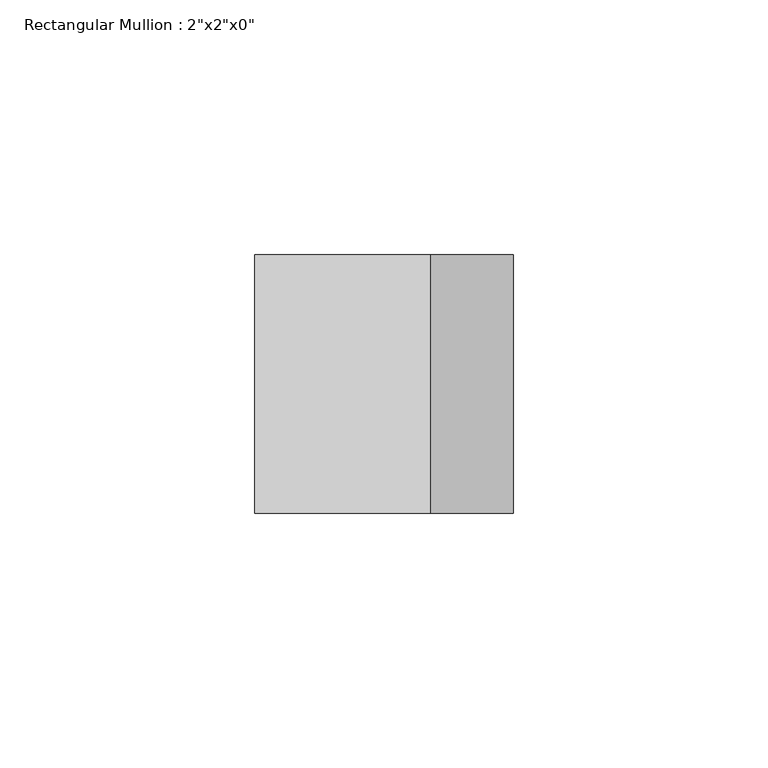
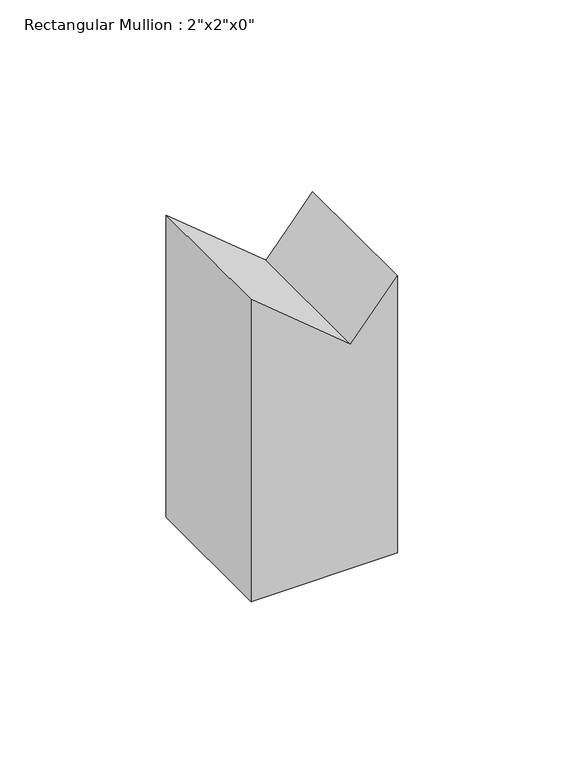
"""IFC4 building model written with IfcOpenShell, lengths in millimetres: member geometry."""

from ifc_helpers import new_model, si_unit, origin, place, context, project, spatial, faceted_brep, source, transform, mapped, element, save


def member_60987f04(model_context):
    return source(origin(), model_context, "Body", "Brep", [
        faceted_brep([(0.0, 25.4, -101.6577464), (0.0, -25.4, -101.6577464), (-50.8, -25.4, -101.6577464), (-50.8, 25.4, -101.6577464), (-50.8, 25.4, 9.2256183), (-16.2458946, 25.4, -19.5251353), (-6.9272727, 25.4, -8.3255457), (0.0, 25.4, 0.0), (-50.8, -25.4, 9.2256183), (0.0, -25.4, 0.0), (-16.2458946, -25.4, -19.5251353)], [[[0, 1, 2, 3]], [[4, 5, 6, 7, 0, 3]], [[8, 4, 3, 2]], [[9, 10, 8, 2, 1]], [[7, 9, 1, 0]], [[7, 6, 5, 10, 9]], [[5, 4, 8, 10]]]),
    ])


if __name__ == "__main__":
    model = new_model("IFC4")
    model_context = context("Model", 3, world=origin())
    ifc_project = project(units=[si_unit("LENGTHUNIT", "METRE", prefix="MILLI")], contexts=[model_context])
    site = spatial("IfcSite", under=ifc_project)
    building = spatial("IfcBuilding", under=site)
    placement = place(None, origin())
    member_shape = member_60987f04(model_context)
    element("IfcMember", 1, ObjectType="Rectangular Mullion : 2\"x2\"x0\"", at=placement, inside=building, context=model_context, shape_type="MappedRepresentation", body=[
        mapped(member_shape, transform((0.0, 0.0, 0.0), x_axis=(1.0, 0.0, 0.0), y_axis=(0.0, 1.0, 0.0), z_axis=(0.0, 0.0, 1.0))),
    ])
    save(model, "model.ifc")
